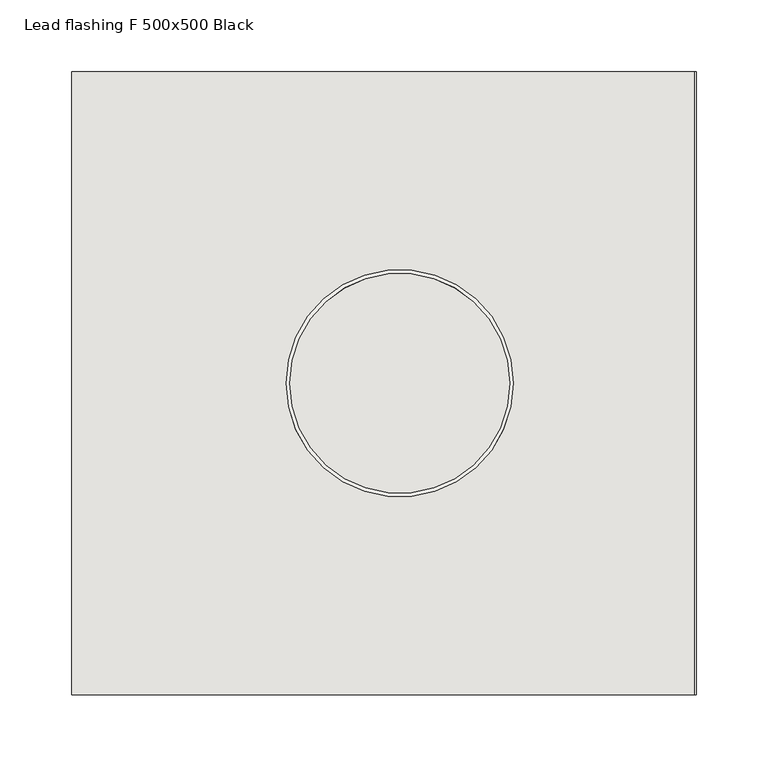
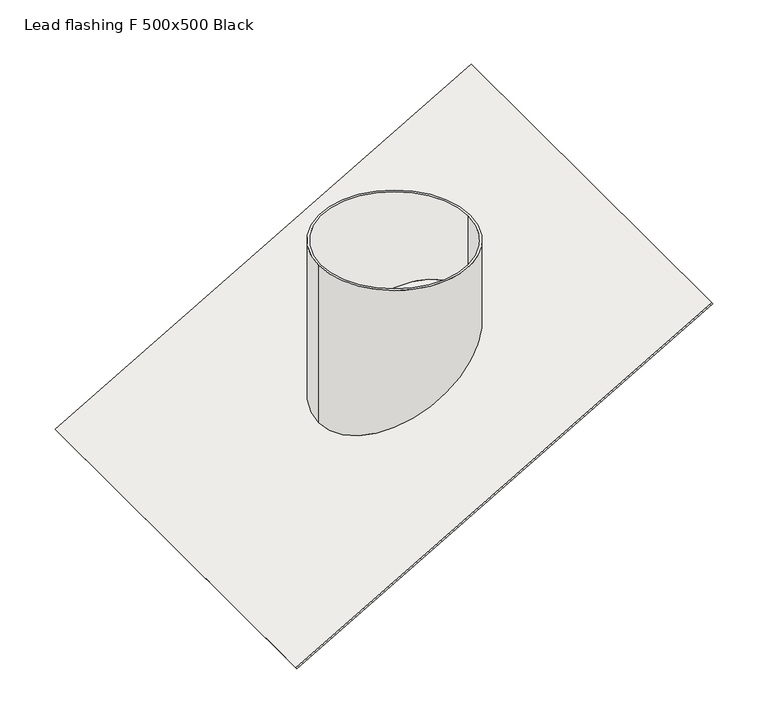
"""IFC4 building model written with IfcOpenShell, lengths in millimetres: covering geometry, Lead flashing F 500x500 Black."""

from ifc_helpers import new_model, si_unit, frame, origin, place, context, project, spatial, polyline, circle_curve, ellipse_curve, source, transform, mapped, element, save
from ifc_brep_helpers import plane_surface, cylinder_surface, revolved_surface, advanced_brep


def lead_flashing_f_500x500_black_4397844b(model_context):
    return source(origin(), model_context, "Body", "AdvancedBrep", [
        advanced_brep(
        [(206.1140461, -216.5, 119.0), (205.1140461, -216.5, 120.7320508), (-227.8986558, -216.5, -129.2679492), (-226.8986558, -216.5, -131.0), (206.1140461, 216.5, 119.0), (-226.8986558, 216.5, -131.0), (-227.8986558, 216.5, -129.2679492), (205.1140461, 216.5, 120.7320508), (79.0, 0.0, 47.9200723), (-79.0, 0.0, -43.3012702), (76.5, 0.0, 46.4766967), (-76.5, 0.0, -41.8578945), (-79.0, 0.0, 129.9038106), (79.0, 0.0, 129.9038106), (-76.5, 0.0, 129.9038106), (76.5, 0.0, 129.9038106)],
        [
            (0, 1),
            (1, 2),
            (2, 3),
            (3, 0),
            (4, 5),
            (5, 6),
            (6, 7),
            (7, 4),
            (0, 4),
            (7, 1),
            (6, 2),
            (8, 9, ellipse_curve(frame((0.0, 0.0, 2.3094011), z_axis=(0.5000000000000009, 0.0, -0.8660254037844383), x_axis=(0.8660254037844385, 0.0, 0.5000000000000006)), 91.2213425, 79.0)),
            (9, 8, ellipse_curve(frame((0.0, 0.0, 2.3094011), z_axis=(0.5000000000000009, 0.0, -0.8660254037844383), x_axis=(0.8660254037844385, 0.0, 0.5000000000000006)), 91.2213425, 79.0)),
            (10, 11, ellipse_curve(frame((0.0, 0.0, 2.3094011), z_axis=(-0.5000000000000009, 0.0, 0.8660254037844383), x_axis=(-0.8660254037844385, 0.0, -0.5000000000000006)), 88.3345912, 76.5)),
            (11, 10, ellipse_curve(frame((0.0, 0.0, 2.3094011), z_axis=(-0.5000000000000009, 0.0, 0.8660254037844383), x_axis=(-0.8660254037844385, 0.0, -0.5000000000000006)), 88.3345912, 76.5)),
            (5, 3),
            (12, 13, circle_curve(frame((0.0, 0.0, 129.9038106), z_axis=(0.0, 0.0, 1.0), x_axis=(1.0, 0.0, 0.0)), 79.0)),
            (13, 12, circle_curve(frame((0.0, 0.0, 129.9038106), z_axis=(0.0, 0.0, 1.0), x_axis=(1.0, 0.0, 0.0)), 79.0)),
            (14, 15, circle_curve(frame((0.0, 0.0, 129.9038106), z_axis=(0.0, 0.0, -1.0), x_axis=(1.0, 0.0, 0.0)), 76.5)),
            (15, 14, circle_curve(frame((0.0, 0.0, 129.9038106), z_axis=(0.0, 0.0, -1.0), x_axis=(1.0, 0.0, 0.0)), 76.5)),
            (12, 9),
            (8, 13),
            (14, 11),
            (10, 15),
        ],
        [
            plane_surface(frame((206.1140461, -216.5, 119.0), z_axis=(0.0, -1.0, 0.0), x_axis=(-0.4999999999999811, 0.0, 0.8660254037844496))),
            plane_surface(frame((206.1140461, 216.5, 119.0), z_axis=(0.0, 1.0, 0.0), x_axis=(0.4999999999999811, 0.0, -0.8660254037844496))),
            plane_surface(frame((206.1140461, -216.5, 119.0), z_axis=(0.8660254037844496, 0.0, 0.4999999999999811), x_axis=(0.0, 1.0, 0.0))),
            plane_surface(frame((205.1140461, -216.5, 120.7320508), z_axis=(-0.5000000000000009, 0.0, 0.8660254037844383), x_axis=(0.0, 1.0, 0.0))),
            plane_surface(frame((-227.8986558, -216.5, -129.2679492), z_axis=(-0.8660254037844392, 0.0, -0.4999999999999992), x_axis=(0.0, 1.0, 0.0))),
            plane_surface(frame((79.0, 0.0, 129.9038106), z_axis=(0.0, 0.0, 1.0), x_axis=(0.0, 1.0, 0.0))),
            cylinder_surface(frame((0.0, 0.0, -45.6106713), z_axis=(0.0, 0.0, 1.0), x_axis=(1.0, 0.0, 0.0)), 79.0),
            revolved_surface(polyline([(76.5, 0.0, -41.85789450000005), (76.5, 0.0, 129.9038106)]), (0.0, 0.0, 0.0), (0.0, 0.0, -1.0)),
            plane_surface(frame((79.0, -216.5, 45.6106713), z_axis=(0.5000000000000023, 0.0, -0.8660254037844374), x_axis=(0.0, 1.0, 0.0))),
        ],
        [
            (0, [[1, 2, 3, 4]]),
            (1, [[5, 6, 7, 8]]),
            (2, [[-1, 9, -8, 10]]),
            (3, [[-2, -10, -7, 11], [12, 13]]),
            (3, [[14, 15]]),
            (4, [[-3, -11, -6, 16]]),
            (5, [[17, 18], [19, 20]]),
            (6, [[-17, 21, -12, 22]]),
            (6, [[-18, -22, -13, -21]]),
            (7, [[-19, 23, -14, 24]]),
            (7, [[-20, -24, -15, -23]]),
            (8, [[-4, -16, -5, -9]]),
        ],
    ),
    ])


if __name__ == "__main__":
    model = new_model("IFC4")
    model_context = context("Model", 3, world=origin())
    ifc_project = project(units=[si_unit("LENGTHUNIT", "METRE", prefix="MILLI")], contexts=[model_context])
    site = spatial("IfcSite", under=ifc_project)
    building = spatial("IfcBuilding", under=site)
    placement = place(None, origin())
    lead_flashing_f_500x500_black_shape = lead_flashing_f_500x500_black_4397844b(model_context)
    element("IfcCovering", 1, ObjectType="Lead flashing F 500x500 Black", at=placement, inside=building, context=model_context, shape_type="MappedRepresentation", body=[
        mapped(lead_flashing_f_500x500_black_shape, transform((0.0, 0.0, 0.0), x_axis=(1.0, 0.0, 0.0), y_axis=(0.0, 1.0, 0.0), z_axis=(0.0, 0.0, 1.0))),
    ])
    save(model, "model.ifc")
